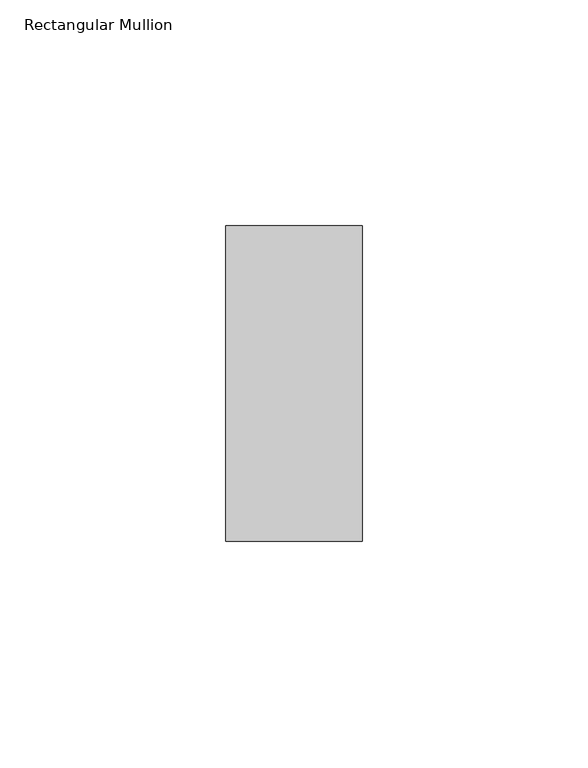
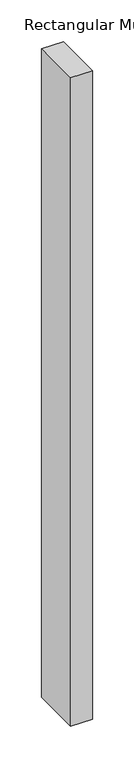
"""IFC4 building model written with IfcOpenShell, lengths in millimetres: member geometry, Rectangular Mullion."""

from ifc_helpers import new_model, si_unit, frame, origin, place, context, project, spatial, polyline, outline, extrude, source, transform, mapped, element, save


def rectangular_mullion_bd4aa031(model_context):
    return source(origin(), model_context, "Body", "SweptSolid", [
        extrude(outline(polyline([(0.0, 34.925), (0.0, -34.925), (-30.1625, -34.925), (-30.1625, 34.925), (0.0, 34.925)])), frame((0.0, 0.0, -947.7375), z_axis=(0.0, 0.0, 1.0), x_axis=(1.0, 0.0, 0.0)), (0.0, 0.0, 1.0), 947.7375),
    ])


if __name__ == "__main__":
    model = new_model("IFC4")
    model_context = context("Model", 3, world=origin())
    ifc_project = project(units=[si_unit("LENGTHUNIT", "METRE", prefix="MILLI")], contexts=[model_context])
    site = spatial("IfcSite", under=ifc_project)
    building = spatial("IfcBuilding", under=site)
    placement = place(None, origin())
    rectangular_mullion_shape = rectangular_mullion_bd4aa031(model_context)
    element("IfcMember", 1, ObjectType="Rectangular Mullion", at=placement, inside=building, context=model_context, shape_type="MappedRepresentation", body=[
        mapped(rectangular_mullion_shape, transform((0.0, 0.0, 0.0), x_axis=(1.0, 0.0, 0.0), y_axis=(0.0, 1.0, 0.0), z_axis=(0.0, 0.0, 1.0))),
    ])
    save(model, "model.ifc")
